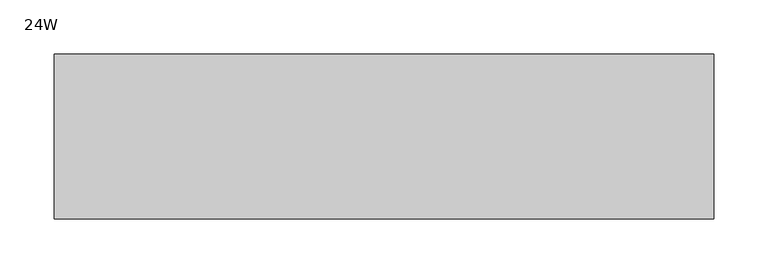
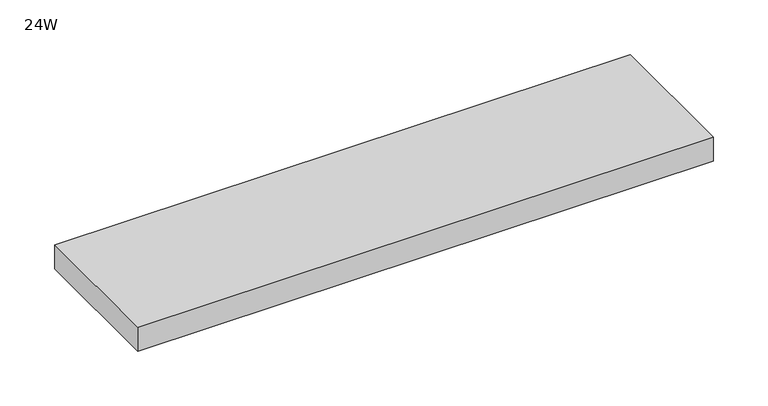
"""IFC4 building model written with IfcOpenShell, lengths in millimetres: furniture geometry, 24W."""

from ifc_helpers import new_model, si_unit, frame, origin, place, context, project, spatial, polyline, outline, extrude, source, transform, mapped, element, save


def furniture_24w_94a8fe1a(model_context):
    return source(origin(), model_context, "Body", "SweptSolid", [
        extrude(outline(polyline([(609.6, 0.0), (609.6, -152.4), (0.0, -152.4), (0.0, 0.0), (609.6, 0.0)])), frame((0.0, 0.0, 554.101), z_axis=(0.0, 0.0, 1.0), x_axis=(1.0, 0.0, 0.0)), (0.0, 0.0, 1.0), 26.924),
    ])


if __name__ == "__main__":
    model = new_model("IFC4")
    model_context = context("Model", 3, world=origin())
    ifc_project = project(units=[si_unit("LENGTHUNIT", "METRE", prefix="MILLI")], contexts=[model_context])
    site = spatial("IfcSite", under=ifc_project)
    building = spatial("IfcBuilding", under=site)
    placement = place(None, origin())
    furniture_24w_shape = furniture_24w_94a8fe1a(model_context)
    element("IfcFurniture", 1, ObjectType="24W", at=placement, inside=building, context=model_context, shape_type="MappedRepresentation", body=[
        mapped(furniture_24w_shape, transform((0.0, 0.0, 0.0), x_axis=(1.0, 0.0, 0.0), y_axis=(0.0, 1.0, 0.0), z_axis=(0.0, 0.0, 1.0))),
    ])
    save(model, "model.ifc")
